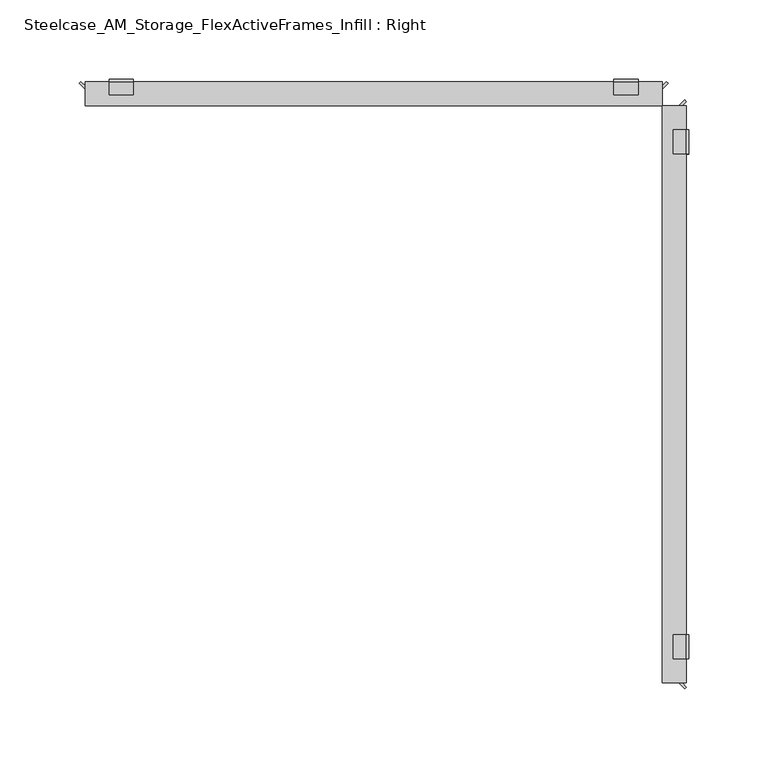
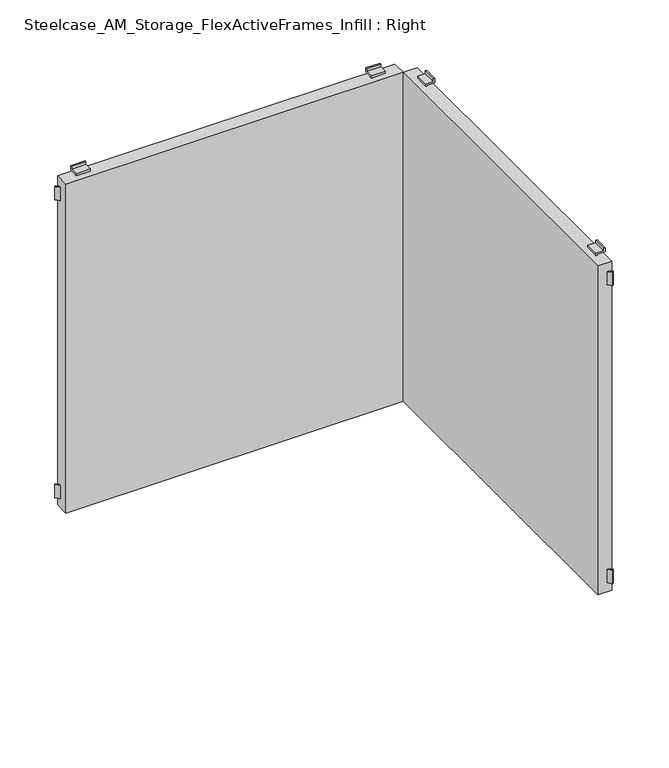
"""IFC4 building model written with IfcOpenShell, lengths in millimetres: furniture geometry, Steelcase_AM_Storage_FlexActiveFrames_Infill : Right."""

import ifcopenshell
import ifcopenshell.guid

model = None  # the IFC model being written
_history = None  # IfcOwnerHistory: only IFC2X3 demands one
_inside = {}  # id of a spatial element -> (the spatial element, [elements in it])
_under = {}  # id of a project, library or spatial element -> (it, [spatial elements below it])
_declared = {}  # id of a project -> (the project, [libraries it declares])
_typed = {}  # id of a type object -> (the type object, [elements of that type])
_made_of = {}  # id of a material, layer set ... -> (it, [elements and type objects made of it])


def new_model(schema):
    """Start an empty IFC model of exactly this schema.

    Asked for "IFC4X3", IfcOpenShell would pick the latest addendum, in which some entities
    have other attributes; the version numbers below select the first issue.
    IFC2X3 requires an IfcOwnerHistory on every rooted entity: one is made here for all.
    """
    global model, _history
    if schema == "IFC4X3":
        model = ifcopenshell.file(schema_version=(4, 3, 0, 0))
    else:
        model = ifcopenshell.file(schema=schema)
    _inside.clear()
    _under.clear()
    _declared.clear()
    _typed.clear()
    _made_of.clear()
    _history = None
    if model.schema == "IFC2X3":
        org = make("IfcOrganization", Name="unknown")
        user = make(
            "IfcPersonAndOrganization",
            ThePerson=make("IfcPerson", FamilyName="unknown"),
            TheOrganization=org,
        )
        app = make(
            "IfcApplication",
            ApplicationDeveloper=org,
            Version="unknown",
            ApplicationFullName="unknown",
            ApplicationIdentifier="unknown",
        )
        _history = make(
            "IfcOwnerHistory",
            OwningUser=user,
            OwningApplication=app,
            ChangeAction="ADDED",
            CreationDate=0,
        )
    return model


def make(cls, **values):
    """One entity of the class cls with the attributes given. An attribute that is None is left unset."""
    return model.create_entity(
        cls, **{name: value for name, value in values.items() if value is not None}
    )


def rooted(cls, **values):
    """An entity with a GlobalId (a new one), such as an element, a storey or a relation."""
    return make(cls, GlobalId=ifcopenshell.guid.new(), OwnerHistory=_history, **values)


def si_unit(unit_type, name, prefix=None):
    """IfcSIUnit, for example si_unit("LENGTHUNIT", "METRE", prefix="MILLI")."""
    return make("IfcSIUnit", UnitType=unit_type, Prefix=prefix, Name=name)


def assignment(units):
    """IfcUnitAssignment: the units of a project."""
    return None if units is None else make("IfcUnitAssignment", Units=units)


def point(xyz):
    """IfcCartesianPoint."""
    return None if xyz is None else make("IfcCartesianPoint", Coordinates=xyz)


def direction(xyz):
    """IfcDirection."""
    return None if xyz is None else make("IfcDirection", DirectionRatios=xyz)


def frame(location, z_axis=None, x_axis=None):
    """IfcAxis2Placement3D, a coordinate frame: its origin and axes. An axis left out is left unset."""
    return make(
        "IfcAxis2Placement3D",
        Location=point(location),
        Axis=direction(z_axis),
        RefDirection=direction(x_axis),
    )


def origin():
    """The frame at (0, 0, 0) with its axes left unset."""
    return frame((0.0, 0.0, 0.0))


def place(relative_to, where):
    """IfcLocalPlacement: puts the frame where relative to a parent placement (None: the world)."""
    return make(
        "IfcLocalPlacement", PlacementRelTo=relative_to, RelativePlacement=where
    )


def context(
    kind, dimensions, precision=None, world=None, true_north=None, identifier=None
):
    """IfcGeometricRepresentationContext, for example the 3D "Model" context."""
    return make(
        "IfcGeometricRepresentationContext",
        ContextIdentifier=identifier,
        ContextType=kind,
        CoordinateSpaceDimension=dimensions,
        Precision=precision,
        WorldCoordinateSystem=world,
        TrueNorth=true_north,
    )


def project(units=None, contexts=None):
    """IfcProject with its units and contexts."""
    return rooted(
        "IfcProject",
        Name="project",
        RepresentationContexts=contexts,
        UnitsInContext=assignment(units),
    )


def spatial(cls, under=None, at=None, **own):
    """A site, building, storey or space (cls), placed at a placement, below another one or the project."""
    s = rooted(cls, ObjectPlacement=at, **own)
    if under is not None:
        _under.setdefault(under.id(), (under, []))[1].append(s)
    return s


def polyline(points):
    """IfcPolyline through the points."""
    return make("IfcPolyline", Points=[point(p) for p in points])


def outline(outer, holes=None, kind="AREA"):
    """IfcArbitraryClosedProfileDef: a profile drawn as a closed curve; with holes, ...WithVoids."""
    if holes is None:
        return make("IfcArbitraryClosedProfileDef", ProfileType=kind, OuterCurve=outer)
    return make(
        "IfcArbitraryProfileDefWithVoids",
        ProfileType=kind,
        OuterCurve=outer,
        InnerCurves=holes,
    )


def extrude(swept, where, along, depth):
    """IfcExtrudedAreaSolid: the profile swept, set in the frame where, extruded along a direction by depth."""
    return make(
        "IfcExtrudedAreaSolid",
        SweptArea=swept,
        Position=where,
        ExtrudedDirection=direction(along),
        Depth=depth,
    )


def shape(context_of_items, identifier, shape_type, items):
    """IfcShapeRepresentation: the items that make up one representation, for example the "Body"."""
    return make(
        "IfcShapeRepresentation",
        ContextOfItems=context_of_items,
        RepresentationIdentifier=identifier,
        RepresentationType=shape_type,
        Items=items,
    )


def source(mapping_origin, context_of_items, identifier, shape_type, items):
    """IfcRepresentationMap: a shape defined once, which mapped items show again and again."""
    return make(
        "IfcRepresentationMap",
        MappingOrigin=mapping_origin,
        MappedRepresentation=shape(context_of_items, identifier, shape_type, items),
    )


def transform(
    local_origin,
    x_axis=None,
    y_axis=None,
    z_axis=None,
    scale=None,
    scale2=None,
    scale3=None,
    uniform=True,
):
    """IfcCartesianTransformationOperator3D, or its non-uniform kind. x_axis, y_axis, z_axis: its Axis1, 2, 3."""
    if uniform:
        return make(
            "IfcCartesianTransformationOperator3D",
            Axis1=direction(x_axis),
            Axis2=direction(y_axis),
            LocalOrigin=point(local_origin),
            Scale=scale,
            Axis3=direction(z_axis),
        )
    return make(
        "IfcCartesianTransformationOperator3DnonUniform",
        Axis1=direction(x_axis),
        Axis2=direction(y_axis),
        LocalOrigin=point(local_origin),
        Scale=scale,
        Axis3=direction(z_axis),
        Scale2=scale2,
        Scale3=scale3,
    )


def mapped(mapping_source, mapping_target):
    """IfcMappedItem: shows the shape of a source again, moved by a transform."""
    return make(
        "IfcMappedItem", MappingSource=mapping_source, MappingTarget=mapping_target
    )


def made_of(thing, what):
    """Note that an element or type object is made of a material, layer set ...; save() writes the relation."""
    if what is not None:
        _made_of.setdefault(what.id(), (what, []))[1].append(thing)
    return thing


def element(
    cls,
    number,
    at=None,
    inside=None,
    cuts=None,
    type_object=None,
    material=None,
    context=None,
    identifier="Body",
    shape_type=None,
    held_by="IfcProductDefinitionShape",
    body=None,
    shapes=None,
    **own,
):
    """One element of the class cls, such as IfcWall. Its Tag is "e" and its number.

    at: its placement. inside: the storey or other place that contains it. cuts: it is an
    opening in that element (IfcRelVoidsElement). A single representation is given by context,
    identifier, shape_type and body (its items); several are given by shapes. held_by: the class
    of the entity that holds the representations. save() writes the other relations.
    """
    e = rooted(cls, Tag="e%d" % number, ObjectPlacement=at, **own)
    if body is not None:
        shapes = [shape(context, identifier, shape_type, body)]
    if shapes is not None:
        e.Representation = make(held_by, Representations=shapes)
    if inside is not None:
        _inside.setdefault(inside.id(), (inside, []))[1].append(e)
    if cuts is not None:
        rooted(
            "IfcRelVoidsElement", RelatingBuildingElement=cuts, RelatedOpeningElement=e
        )
    if type_object is not None:
        _typed.setdefault(type_object.id(), (type_object, []))[1].append(e)
    return made_of(e, material)


def aggregate(whole, parts):
    """IfcRelAggregates: a whole, such as a stair, and the parts it consists of."""
    return rooted("IfcRelAggregates", RelatingObject=whole, RelatedObjects=parts)


def save(model, path):
    """Write the relations noted so far, then the file.

    IfcRelAggregates (storeys below a building ...), IfcRelContainedInSpatialStructure (elements
    in a storey), IfcRelDefinesByType, IfcRelAssociatesMaterial and IfcRelDeclares: one each for
    every whole, place, type object, material and project.
    """
    for whole, parts in _under.values():
        aggregate(whole, parts)
    for where, things in _inside.values():
        rooted(
            "IfcRelContainedInSpatialStructure",
            RelatedElements=things,
            RelatingStructure=where,
        )
    for kind, things in _typed.values():
        rooted("IfcRelDefinesByType", RelatedObjects=things, RelatingType=kind)
    for what, things in _made_of.values():
        rooted("IfcRelAssociatesMaterial", RelatedObjects=things, RelatingMaterial=what)
    for by, libraries in _declared.values():
        rooted("IfcRelDeclares", RelatingContext=by, RelatedDefinitions=libraries)
    model.write(path)


def steelcase_am_storage_flexactiveframes_infill_right_7127c410(model_context):
    return source(origin(), model_context, "Body", "SweptSolid", [
        extrude(outline(polyline([(394.8423586, -382.27), (397.4973445, -384.924986), (396.4197138, -386.0026167), (392.6870971, -382.27), (394.8423586, -382.27)])), frame((0.0, 0.0, 472.0336), z_axis=(0.0, 0.0, 1.0), x_axis=(1.0, 0.0, 0.0)), (0.0, 0.0, 1.0), 15.24),
        extrude(outline(polyline([(394.8423586, -17.78), (392.6870971, -17.78), (396.4197138, -14.0473833), (397.4973445, -15.125014), (394.8423586, -17.78)])), frame((0.0, 0.0, 472.0336), z_axis=(0.0, 0.0, 1.0), x_axis=(1.0, 0.0, 0.0)), (0.0, 0.0, 1.0), 15.24),
        extrude(outline(polyline([(394.8423586, -382.27), (397.4973445, -384.924986), (396.4197138, -386.0026167), (392.6870971, -382.27), (394.8423586, -382.27)])), frame((0.0, 0.0, 131.6736), z_axis=(0.0, 0.0, 1.0), x_axis=(1.0, 0.0, 0.0)), (0.0, 0.0, 1.0), 15.24),
        extrude(outline(polyline([(394.8423586, -17.78), (392.6870971, -17.78), (396.4197138, -14.0473833), (397.4973445, -15.125014), (394.8423586, -17.78)])), frame((0.0, 0.0, 131.6736), z_axis=(0.0, 0.0, 1.0), x_axis=(1.0, 0.0, 0.0)), (0.0, 0.0, 1.0), 15.24),
        extrude(outline(polyline([(503.0770636, 397.51), (499.9736, 397.51), (499.9736, 389.128), (497.4336, 389.128), (497.4336, 390.652), (498.4496, 390.652), (498.4496, 399.034), (503.0770636, 399.034), (503.0770636, 397.51)])), frame((0.0, -48.26, 0.0), z_axis=(0.0, 1.0, 0.0), x_axis=(0.0, 0.0, 1.0)), (0.0, 0.0, 1.0), 15.24),
        extrude(outline(polyline([(115.8701364, 397.51), (115.8701364, 399.034), (120.4976, 399.034), (120.4976, 390.652), (121.5136, 390.652), (121.5136, 389.128), (118.9736, 389.128), (118.9736, 397.51), (115.8701364, 397.51)])), frame((0.0, -48.26, 0.0), z_axis=(0.0, 1.0, 0.0), x_axis=(0.0, 0.0, 1.0)), (0.0, 0.0, 1.0), 15.24),
        extrude(outline(polyline([(503.0770636, 397.51), (499.9736, 397.51), (499.9736, 389.128), (497.4336, 389.128), (497.4336, 390.652), (498.4496, 390.652), (498.4496, 399.034), (503.0770636, 399.034), (503.0770636, 397.51)])), frame((0.0, -367.03, 0.0), z_axis=(0.0, 1.0, 0.0), x_axis=(0.0, 0.0, 1.0)), (0.0, 0.0, 1.0), 15.24),
        extrude(outline(polyline([(115.8701364, 397.51), (115.8701364, 399.034), (120.4976, 399.034), (120.4976, 390.652), (121.5136, 390.652), (121.5136, 389.128), (118.9736, 389.128), (118.9736, 397.51), (115.8701364, 397.51)])), frame((0.0, -367.03, 0.0), z_axis=(0.0, 1.0, 0.0), x_axis=(0.0, 0.0, 1.0)), (0.0, 0.0, 1.0), 15.24),
        extrude(outline(polyline([(382.27, -17.78), (397.51, -17.78), (397.51, -382.27), (382.27, -382.27), (382.27, -17.78)])), frame((0.0, 0.0, 121.5136), z_axis=(0.0, 0.0, 1.0), x_axis=(1.0, 0.0, 0.0)), (0.0, 0.0, 1.0), 375.92),
        extrude(outline(polyline([(17.78, -5.2076414), (17.78, -7.3629029), (14.0473833, -3.6302862), (15.125014, -2.5526555), (17.78, -5.2076414)])), frame((0.0, 0.0, 472.0336), z_axis=(0.0, 0.0, 1.0), x_axis=(1.0, 0.0, 0.0)), (0.0, 0.0, 1.0), 15.24),
        extrude(outline(polyline([(382.27, -5.2076414), (384.924986, -2.5526555), (386.0026167, -3.6302862), (382.27, -7.3629029), (382.27, -5.2076414)])), frame((0.0, 0.0, 472.0336), z_axis=(0.0, 0.0, 1.0), x_axis=(1.0, 0.0, 0.0)), (0.0, 0.0, 1.0), 15.24),
        extrude(outline(polyline([(17.78, -5.2076414), (17.78, -7.3629029), (14.0473833, -3.6302862), (15.125014, -2.5526555), (17.78, -5.2076414)])), frame((0.0, 0.0, 131.6736), z_axis=(0.0, 0.0, 1.0), x_axis=(1.0, 0.0, 0.0)), (0.0, 0.0, 1.0), 15.24),
        extrude(outline(polyline([(382.27, -5.2076414), (384.924986, -2.5526555), (386.0026167, -3.6302862), (382.27, -7.3629029), (382.27, -5.2076414)])), frame((0.0, 0.0, 131.6736), z_axis=(0.0, 0.0, 1.0), x_axis=(1.0, 0.0, 0.0)), (0.0, 0.0, 1.0), 15.24),
        extrude(outline(polyline([(-2.54, 503.0770636), (-1.016, 503.0770636), (-1.016, 498.4496), (-9.398, 498.4496), (-9.398, 497.4336), (-10.922, 497.4336), (-10.922, 499.9736), (-2.54, 499.9736), (-2.54, 503.0770636)])), frame((351.79, 0.0, 0.0), z_axis=(1.0, 0.0, 0.0), x_axis=(0.0, 1.0, 0.0)), (0.0, 0.0, 1.0), 15.24),
        extrude(outline(polyline([(-2.54, 115.8701364), (-2.54, 118.9736), (-10.922, 118.9736), (-10.922, 121.5136), (-9.398, 121.5136), (-9.398, 120.4976), (-1.016, 120.4976), (-1.016, 115.8701364), (-2.54, 115.8701364)])), frame((351.79, 0.0, 0.0), z_axis=(1.0, 0.0, 0.0), x_axis=(0.0, 1.0, 0.0)), (0.0, 0.0, 1.0), 15.24),
        extrude(outline(polyline([(-2.54, 503.0770636), (-1.016, 503.0770636), (-1.016, 498.4496), (-9.398, 498.4496), (-9.398, 497.4336), (-10.922, 497.4336), (-10.922, 499.9736), (-2.54, 499.9736), (-2.54, 503.0770636)])), frame((33.02, 0.0, 0.0), z_axis=(1.0, 0.0, 0.0), x_axis=(0.0, 1.0, 0.0)), (0.0, 0.0, 1.0), 15.24),
        extrude(outline(polyline([(-2.54, 115.8701364), (-2.54, 118.9736), (-10.922, 118.9736), (-10.922, 121.5136), (-9.398, 121.5136), (-9.398, 120.4976), (-1.016, 120.4976), (-1.016, 115.8701364), (-2.54, 115.8701364)])), frame((33.02, 0.0, 0.0), z_axis=(1.0, 0.0, 0.0), x_axis=(0.0, 1.0, 0.0)), (0.0, 0.0, 1.0), 15.24),
        extrude(outline(polyline([(382.27, -17.78), (17.78, -17.78), (17.78, -2.54), (382.27, -2.54), (382.27, -17.78)])), frame((0.0, 0.0, 121.5136), z_axis=(0.0, 0.0, 1.0), x_axis=(1.0, 0.0, 0.0)), (0.0, 0.0, 1.0), 375.92),
    ])


if __name__ == "__main__":
    model = new_model("IFC4")
    model_context = context("Model", 3, world=origin())
    ifc_project = project(units=[si_unit("LENGTHUNIT", "METRE", prefix="MILLI")], contexts=[model_context])
    site = spatial("IfcSite", under=ifc_project)
    building = spatial("IfcBuilding", under=site)
    placement = place(None, origin())
    steelcase_am_storage_flexactiveframes_infill_right_shape = steelcase_am_storage_flexactiveframes_infill_right_7127c410(model_context)
    element("IfcFurniture", 1, ObjectType="Steelcase_AM_Storage_FlexActiveFrames_Infill : Right", at=placement, inside=building, context=model_context, shape_type="MappedRepresentation", body=[
        mapped(steelcase_am_storage_flexactiveframes_infill_right_shape, transform((0.0, 0.0, 0.0), x_axis=(1.0, 0.0, 0.0), y_axis=(0.0, 1.0, 0.0), z_axis=(0.0, 0.0, 1.0))),
    ])
    save(model, "model.ifc")
